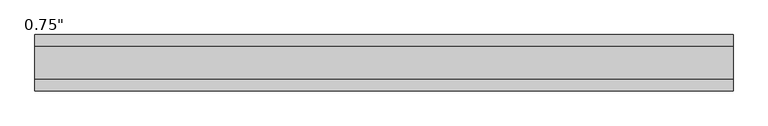
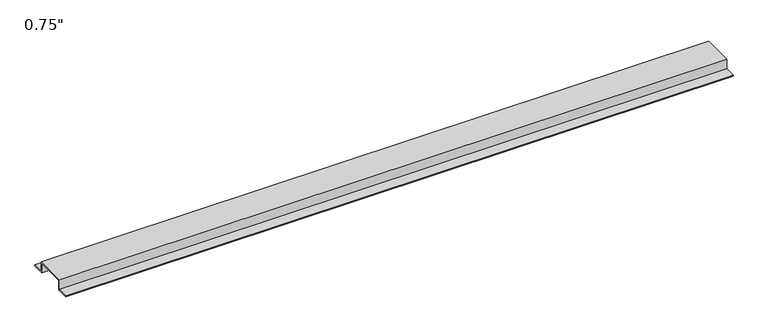
"""IFC4 building model written with IfcOpenShell, lengths in millimetres: proxy geometry."""

from ifc_helpers import new_model, si_unit, frame, origin, place, context, project, spatial, polyline, outline, extrude, source, transform, mapped, element, save


def proxy_b961cbb9(model_context):
    return source(origin(), model_context, "Body", "SweptSolid", [
        extrude(outline(polyline([(46.0559645, -17.4625), (25.4, -17.4625), (25.4, 0.0), (-25.4, 0.0), (-25.4, -17.4625), (-46.0559645, -17.4625), (-46.0559645, -15.8492), (-27.0129, -15.8492), (-27.0129, 1.6129), (27.0129, 1.6129), (27.0129, -15.8492), (46.0559645, -15.8492), (46.0559645, -17.4625)])), frame((0.0, 0.0, 0.0), z_axis=(1.0, 0.0, 0.0), x_axis=(0.0, 1.0, 0.0)), (0.0, 0.0, 1.0), 1144.6685577),
    ])


if __name__ == "__main__":
    model = new_model("IFC4")
    model_context = context("Model", 3, world=origin())
    ifc_project = project(units=[si_unit("LENGTHUNIT", "METRE", prefix="MILLI")], contexts=[model_context])
    site = spatial("IfcSite", under=ifc_project)
    building = spatial("IfcBuilding", under=site)
    placement = place(None, origin())
    proxy_shape = proxy_b961cbb9(model_context)
    element("IfcBuildingElementProxy", 1, Name="0.75\"", ObjectType="0.75\"", at=placement, inside=building, context=model_context, shape_type="MappedRepresentation", body=[
        mapped(proxy_shape, transform((0.0, 0.0, 0.0), x_axis=(1.0, 0.0, 0.0), y_axis=(0.0, 1.0, 0.0), z_axis=(0.0, 0.0, 1.0))),
    ])
    save(model, "model.ifc")
